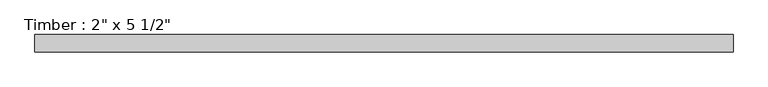
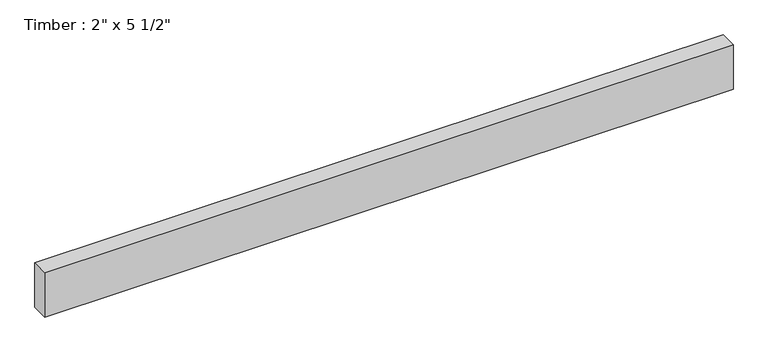
"""IFC4 building model written with IfcOpenShell, lengths in millimetres: beam geometry."""

import ifcopenshell
import ifcopenshell.guid

model = None  # the IFC model being written
_history = None  # IfcOwnerHistory: only IFC2X3 demands one
_inside = {}  # id of a spatial element -> (the spatial element, [elements in it])
_under = {}  # id of a project, library or spatial element -> (it, [spatial elements below it])
_declared = {}  # id of a project -> (the project, [libraries it declares])
_typed = {}  # id of a type object -> (the type object, [elements of that type])
_made_of = {}  # id of a material, layer set ... -> (it, [elements and type objects made of it])


def new_model(schema):
    """Start an empty IFC model of exactly this schema.

    Asked for "IFC4X3", IfcOpenShell would pick the latest addendum, in which some entities
    have other attributes; the version numbers below select the first issue.
    IFC2X3 requires an IfcOwnerHistory on every rooted entity: one is made here for all.
    """
    global model, _history
    if schema == "IFC4X3":
        model = ifcopenshell.file(schema_version=(4, 3, 0, 0))
    else:
        model = ifcopenshell.file(schema=schema)
    _inside.clear()
    _under.clear()
    _declared.clear()
    _typed.clear()
    _made_of.clear()
    _history = None
    if model.schema == "IFC2X3":
        org = make("IfcOrganization", Name="unknown")
        user = make(
            "IfcPersonAndOrganization",
            ThePerson=make("IfcPerson", FamilyName="unknown"),
            TheOrganization=org,
        )
        app = make(
            "IfcApplication",
            ApplicationDeveloper=org,
            Version="unknown",
            ApplicationFullName="unknown",
            ApplicationIdentifier="unknown",
        )
        _history = make(
            "IfcOwnerHistory",
            OwningUser=user,
            OwningApplication=app,
            ChangeAction="ADDED",
            CreationDate=0,
        )
    return model


def make(cls, **values):
    """One entity of the class cls with the attributes given. An attribute that is None is left unset."""
    return model.create_entity(
        cls, **{name: value for name, value in values.items() if value is not None}
    )


def rooted(cls, **values):
    """An entity with a GlobalId (a new one), such as an element, a storey or a relation."""
    return make(cls, GlobalId=ifcopenshell.guid.new(), OwnerHistory=_history, **values)


def si_unit(unit_type, name, prefix=None):
    """IfcSIUnit, for example si_unit("LENGTHUNIT", "METRE", prefix="MILLI")."""
    return make("IfcSIUnit", UnitType=unit_type, Prefix=prefix, Name=name)


def assignment(units):
    """IfcUnitAssignment: the units of a project."""
    return None if units is None else make("IfcUnitAssignment", Units=units)


def point(xyz):
    """IfcCartesianPoint."""
    return None if xyz is None else make("IfcCartesianPoint", Coordinates=xyz)


def direction(xyz):
    """IfcDirection."""
    return None if xyz is None else make("IfcDirection", DirectionRatios=xyz)


def frame(location, z_axis=None, x_axis=None):
    """IfcAxis2Placement3D, a coordinate frame: its origin and axes. An axis left out is left unset."""
    return make(
        "IfcAxis2Placement3D",
        Location=point(location),
        Axis=direction(z_axis),
        RefDirection=direction(x_axis),
    )


def origin():
    """The frame at (0, 0, 0) with its axes left unset."""
    return frame((0.0, 0.0, 0.0))


def place(relative_to, where):
    """IfcLocalPlacement: puts the frame where relative to a parent placement (None: the world)."""
    return make(
        "IfcLocalPlacement", PlacementRelTo=relative_to, RelativePlacement=where
    )


def context(
    kind, dimensions, precision=None, world=None, true_north=None, identifier=None
):
    """IfcGeometricRepresentationContext, for example the 3D "Model" context."""
    return make(
        "IfcGeometricRepresentationContext",
        ContextIdentifier=identifier,
        ContextType=kind,
        CoordinateSpaceDimension=dimensions,
        Precision=precision,
        WorldCoordinateSystem=world,
        TrueNorth=true_north,
    )


def project(units=None, contexts=None):
    """IfcProject with its units and contexts."""
    return rooted(
        "IfcProject",
        Name="project",
        RepresentationContexts=contexts,
        UnitsInContext=assignment(units),
    )


def spatial(cls, under=None, at=None, **own):
    """A site, building, storey or space (cls), placed at a placement, below another one or the project."""
    s = rooted(cls, ObjectPlacement=at, **own)
    if under is not None:
        _under.setdefault(under.id(), (under, []))[1].append(s)
    return s


def polyline(points):
    """IfcPolyline through the points."""
    return make("IfcPolyline", Points=[point(p) for p in points])


def outline(outer, holes=None, kind="AREA"):
    """IfcArbitraryClosedProfileDef: a profile drawn as a closed curve; with holes, ...WithVoids."""
    if holes is None:
        return make("IfcArbitraryClosedProfileDef", ProfileType=kind, OuterCurve=outer)
    return make(
        "IfcArbitraryProfileDefWithVoids",
        ProfileType=kind,
        OuterCurve=outer,
        InnerCurves=holes,
    )


def extrude(swept, where, along, depth):
    """IfcExtrudedAreaSolid: the profile swept, set in the frame where, extruded along a direction by depth."""
    return make(
        "IfcExtrudedAreaSolid",
        SweptArea=swept,
        Position=where,
        ExtrudedDirection=direction(along),
        Depth=depth,
    )


def shape(context_of_items, identifier, shape_type, items):
    """IfcShapeRepresentation: the items that make up one representation, for example the "Body"."""
    return make(
        "IfcShapeRepresentation",
        ContextOfItems=context_of_items,
        RepresentationIdentifier=identifier,
        RepresentationType=shape_type,
        Items=items,
    )


def source(mapping_origin, context_of_items, identifier, shape_type, items):
    """IfcRepresentationMap: a shape defined once, which mapped items show again and again."""
    return make(
        "IfcRepresentationMap",
        MappingOrigin=mapping_origin,
        MappedRepresentation=shape(context_of_items, identifier, shape_type, items),
    )


def transform(
    local_origin,
    x_axis=None,
    y_axis=None,
    z_axis=None,
    scale=None,
    scale2=None,
    scale3=None,
    uniform=True,
):
    """IfcCartesianTransformationOperator3D, or its non-uniform kind. x_axis, y_axis, z_axis: its Axis1, 2, 3."""
    if uniform:
        return make(
            "IfcCartesianTransformationOperator3D",
            Axis1=direction(x_axis),
            Axis2=direction(y_axis),
            LocalOrigin=point(local_origin),
            Scale=scale,
            Axis3=direction(z_axis),
        )
    return make(
        "IfcCartesianTransformationOperator3DnonUniform",
        Axis1=direction(x_axis),
        Axis2=direction(y_axis),
        LocalOrigin=point(local_origin),
        Scale=scale,
        Axis3=direction(z_axis),
        Scale2=scale2,
        Scale3=scale3,
    )


def mapped(mapping_source, mapping_target):
    """IfcMappedItem: shows the shape of a source again, moved by a transform."""
    return make(
        "IfcMappedItem", MappingSource=mapping_source, MappingTarget=mapping_target
    )


def made_of(thing, what):
    """Note that an element or type object is made of a material, layer set ...; save() writes the relation."""
    if what is not None:
        _made_of.setdefault(what.id(), (what, []))[1].append(thing)
    return thing


def element(
    cls,
    number,
    at=None,
    inside=None,
    cuts=None,
    type_object=None,
    material=None,
    context=None,
    identifier="Body",
    shape_type=None,
    held_by="IfcProductDefinitionShape",
    body=None,
    shapes=None,
    **own,
):
    """One element of the class cls, such as IfcWall. Its Tag is "e" and its number.

    at: its placement. inside: the storey or other place that contains it. cuts: it is an
    opening in that element (IfcRelVoidsElement). A single representation is given by context,
    identifier, shape_type and body (its items); several are given by shapes. held_by: the class
    of the entity that holds the representations. save() writes the other relations.
    """
    e = rooted(cls, Tag="e%d" % number, ObjectPlacement=at, **own)
    if body is not None:
        shapes = [shape(context, identifier, shape_type, body)]
    if shapes is not None:
        e.Representation = make(held_by, Representations=shapes)
    if inside is not None:
        _inside.setdefault(inside.id(), (inside, []))[1].append(e)
    if cuts is not None:
        rooted(
            "IfcRelVoidsElement", RelatingBuildingElement=cuts, RelatedOpeningElement=e
        )
    if type_object is not None:
        _typed.setdefault(type_object.id(), (type_object, []))[1].append(e)
    return made_of(e, material)


def aggregate(whole, parts):
    """IfcRelAggregates: a whole, such as a stair, and the parts it consists of."""
    return rooted("IfcRelAggregates", RelatingObject=whole, RelatedObjects=parts)


def save(model, path):
    """Write the relations noted so far, then the file.

    IfcRelAggregates (storeys below a building ...), IfcRelContainedInSpatialStructure (elements
    in a storey), IfcRelDefinesByType, IfcRelAssociatesMaterial and IfcRelDeclares: one each for
    every whole, place, type object, material and project.
    """
    for whole, parts in _under.values():
        aggregate(whole, parts)
    for where, things in _inside.values():
        rooted(
            "IfcRelContainedInSpatialStructure",
            RelatedElements=things,
            RelatingStructure=where,
        )
    for kind, things in _typed.values():
        rooted("IfcRelDefinesByType", RelatedObjects=things, RelatingType=kind)
    for what, things in _made_of.values():
        rooted("IfcRelAssociatesMaterial", RelatedObjects=things, RelatingMaterial=what)
    for by, libraries in _declared.values():
        rooted("IfcRelDeclares", RelatingContext=by, RelatedDefinitions=libraries)
    model.write(path)


def beam_89eba382(model_context):
    return source(origin(), model_context, "Body", "SweptSolid", [
        extrude(outline(polyline([(1025.0579124, 25.4), (1025.0579124, -25.4), (-1025.0579124, -25.4), (-1025.0579124, 25.4), (1025.0579124, 25.4)])), frame((0.0, 0.0, -69.85), z_axis=(0.0, 0.0, 1.0), x_axis=(1.0, 0.0, 0.0)), (0.0, 0.0, 1.0), 139.7),
    ])


if __name__ == "__main__":
    model = new_model("IFC4")
    model_context = context("Model", 3, world=origin())
    ifc_project = project(units=[si_unit("LENGTHUNIT", "METRE", prefix="MILLI")], contexts=[model_context])
    site = spatial("IfcSite", under=ifc_project)
    building = spatial("IfcBuilding", under=site)
    placement = place(None, origin())
    beam_shape = beam_89eba382(model_context)
    element("IfcBeam", 1, ObjectType="Timber : 2\" x 5 1/2\"", at=placement, inside=building, context=model_context, shape_type="MappedRepresentation", body=[
        mapped(beam_shape, transform((0.0, 0.0, 0.0), x_axis=(1.0, 0.0, 0.0), y_axis=(0.0, 1.0, 0.0), z_axis=(0.0, 0.0, 1.0))),
    ])
    save(model, "model.ifc")
